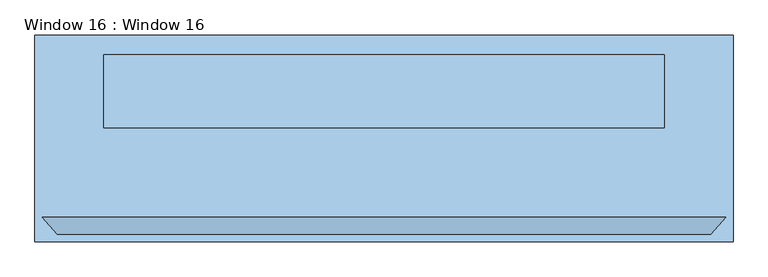
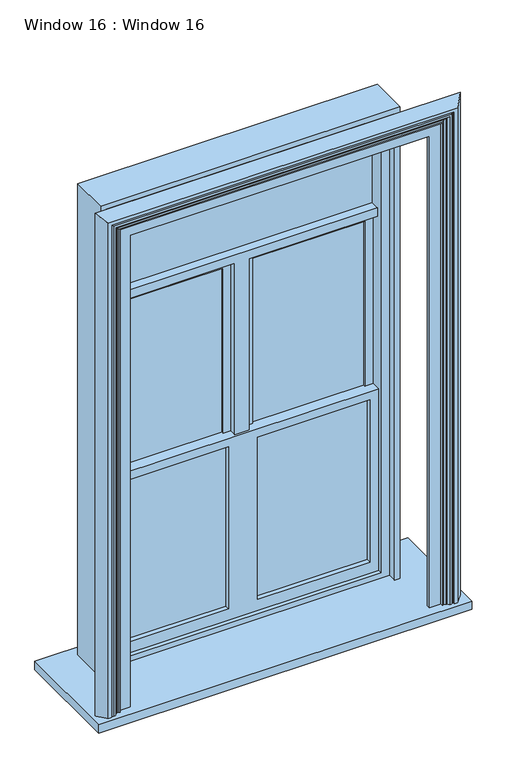
"""IFC4 building model written with IfcOpenShell, lengths in millimetres: window geometry, Window 16 : Window 16."""

import ifcopenshell
import ifcopenshell.guid

model = None  # the IFC model being written
_history = None  # IfcOwnerHistory: only IFC2X3 demands one
_inside = {}  # id of a spatial element -> (the spatial element, [elements in it])
_under = {}  # id of a project, library or spatial element -> (it, [spatial elements below it])
_declared = {}  # id of a project -> (the project, [libraries it declares])
_typed = {}  # id of a type object -> (the type object, [elements of that type])
_made_of = {}  # id of a material, layer set ... -> (it, [elements and type objects made of it])


def new_model(schema):
    """Start an empty IFC model of exactly this schema.

    Asked for "IFC4X3", IfcOpenShell would pick the latest addendum, in which some entities
    have other attributes; the version numbers below select the first issue.
    IFC2X3 requires an IfcOwnerHistory on every rooted entity: one is made here for all.
    """
    global model, _history
    if schema == "IFC4X3":
        model = ifcopenshell.file(schema_version=(4, 3, 0, 0))
    else:
        model = ifcopenshell.file(schema=schema)
    _inside.clear()
    _under.clear()
    _declared.clear()
    _typed.clear()
    _made_of.clear()
    _history = None
    if model.schema == "IFC2X3":
        org = make("IfcOrganization", Name="unknown")
        user = make(
            "IfcPersonAndOrganization",
            ThePerson=make("IfcPerson", FamilyName="unknown"),
            TheOrganization=org,
        )
        app = make(
            "IfcApplication",
            ApplicationDeveloper=org,
            Version="unknown",
            ApplicationFullName="unknown",
            ApplicationIdentifier="unknown",
        )
        _history = make(
            "IfcOwnerHistory",
            OwningUser=user,
            OwningApplication=app,
            ChangeAction="ADDED",
            CreationDate=0,
        )
    return model


def make(cls, **values):
    """One entity of the class cls with the attributes given. An attribute that is None is left unset."""
    return model.create_entity(
        cls, **{name: value for name, value in values.items() if value is not None}
    )


def rooted(cls, **values):
    """An entity with a GlobalId (a new one), such as an element, a storey or a relation."""
    return make(cls, GlobalId=ifcopenshell.guid.new(), OwnerHistory=_history, **values)


def si_unit(unit_type, name, prefix=None):
    """IfcSIUnit, for example si_unit("LENGTHUNIT", "METRE", prefix="MILLI")."""
    return make("IfcSIUnit", UnitType=unit_type, Prefix=prefix, Name=name)


def assignment(units):
    """IfcUnitAssignment: the units of a project."""
    return None if units is None else make("IfcUnitAssignment", Units=units)


def point(xyz):
    """IfcCartesianPoint."""
    return None if xyz is None else make("IfcCartesianPoint", Coordinates=xyz)


def direction(xyz):
    """IfcDirection."""
    return None if xyz is None else make("IfcDirection", DirectionRatios=xyz)


def frame(location, z_axis=None, x_axis=None):
    """IfcAxis2Placement3D, a coordinate frame: its origin and axes. An axis left out is left unset."""
    return make(
        "IfcAxis2Placement3D",
        Location=point(location),
        Axis=direction(z_axis),
        RefDirection=direction(x_axis),
    )


def origin():
    """The frame at (0, 0, 0) with its axes left unset."""
    return frame((0.0, 0.0, 0.0))


def place(relative_to, where):
    """IfcLocalPlacement: puts the frame where relative to a parent placement (None: the world)."""
    return make(
        "IfcLocalPlacement", PlacementRelTo=relative_to, RelativePlacement=where
    )


def context(
    kind, dimensions, precision=None, world=None, true_north=None, identifier=None
):
    """IfcGeometricRepresentationContext, for example the 3D "Model" context."""
    return make(
        "IfcGeometricRepresentationContext",
        ContextIdentifier=identifier,
        ContextType=kind,
        CoordinateSpaceDimension=dimensions,
        Precision=precision,
        WorldCoordinateSystem=world,
        TrueNorth=true_north,
    )


def project(units=None, contexts=None):
    """IfcProject with its units and contexts."""
    return rooted(
        "IfcProject",
        Name="project",
        RepresentationContexts=contexts,
        UnitsInContext=assignment(units),
    )


def spatial(cls, under=None, at=None, **own):
    """A site, building, storey or space (cls), placed at a placement, below another one or the project."""
    s = rooted(cls, ObjectPlacement=at, **own)
    if under is not None:
        _under.setdefault(under.id(), (under, []))[1].append(s)
    return s


def polyline(points):
    """IfcPolyline through the points."""
    return make("IfcPolyline", Points=[point(p) for p in points])


def outline(outer, holes=None, kind="AREA"):
    """IfcArbitraryClosedProfileDef: a profile drawn as a closed curve; with holes, ...WithVoids."""
    if holes is None:
        return make("IfcArbitraryClosedProfileDef", ProfileType=kind, OuterCurve=outer)
    return make(
        "IfcArbitraryProfileDefWithVoids",
        ProfileType=kind,
        OuterCurve=outer,
        InnerCurves=holes,
    )


def extrude(swept, where, along, depth):
    """IfcExtrudedAreaSolid: the profile swept, set in the frame where, extruded along a direction by depth."""
    return make(
        "IfcExtrudedAreaSolid",
        SweptArea=swept,
        Position=where,
        ExtrudedDirection=direction(along),
        Depth=depth,
    )


def faces_of(points, faces, orient=None, outer=None):
    """IfcFace entities. A face is a list of loops; a loop is a list of indices into points, from 0.

    orient and outer hold one flag for each loop. By default every Orientation is true, the
    first loop of a face is its IfcFaceOuterBound and the others are IfcFaceBound.
    """
    made = []
    for i, loops in enumerate(faces):
        bounds = []
        for j, loop in enumerate(loops):
            is_outer = j == 0 if outer is None else outer[i][j]
            bounds.append(
                make(
                    "IfcFaceOuterBound" if is_outer else "IfcFaceBound",
                    Bound=make("IfcPolyLoop", Polygon=[points[k] for k in loop]),
                    Orientation=True if orient is None else orient[i][j],
                )
            )
        made.append(make("IfcFace", Bounds=bounds))
    return made


def faceted_brep(points, faces, orient=None, outer=None, voids=None):
    """IfcFacetedBrep: a solid bounded by flat faces; with voids (closed shells), ...WithVoids."""
    shared = [point(p) for p in points]
    hull = make("IfcClosedShell", CfsFaces=faces_of(shared, faces, orient, outer))
    if voids is None:
        return make("IfcFacetedBrep", Outer=hull)
    return make(
        "IfcFacetedBrepWithVoids",
        Outer=hull,
        Voids=[
            make(cls, CfsFaces=faces_of(shared, fs, o, b)) for cls, fs, o, b in voids
        ],
    )


def shape(context_of_items, identifier, shape_type, items):
    """IfcShapeRepresentation: the items that make up one representation, for example the "Body"."""
    return make(
        "IfcShapeRepresentation",
        ContextOfItems=context_of_items,
        RepresentationIdentifier=identifier,
        RepresentationType=shape_type,
        Items=items,
    )


def source(mapping_origin, context_of_items, identifier, shape_type, items):
    """IfcRepresentationMap: a shape defined once, which mapped items show again and again."""
    return make(
        "IfcRepresentationMap",
        MappingOrigin=mapping_origin,
        MappedRepresentation=shape(context_of_items, identifier, shape_type, items),
    )


def transform(
    local_origin,
    x_axis=None,
    y_axis=None,
    z_axis=None,
    scale=None,
    scale2=None,
    scale3=None,
    uniform=True,
):
    """IfcCartesianTransformationOperator3D, or its non-uniform kind. x_axis, y_axis, z_axis: its Axis1, 2, 3."""
    if uniform:
        return make(
            "IfcCartesianTransformationOperator3D",
            Axis1=direction(x_axis),
            Axis2=direction(y_axis),
            LocalOrigin=point(local_origin),
            Scale=scale,
            Axis3=direction(z_axis),
        )
    return make(
        "IfcCartesianTransformationOperator3DnonUniform",
        Axis1=direction(x_axis),
        Axis2=direction(y_axis),
        LocalOrigin=point(local_origin),
        Scale=scale,
        Axis3=direction(z_axis),
        Scale2=scale2,
        Scale3=scale3,
    )


def mapped(mapping_source, mapping_target):
    """IfcMappedItem: shows the shape of a source again, moved by a transform."""
    return make(
        "IfcMappedItem", MappingSource=mapping_source, MappingTarget=mapping_target
    )


def made_of(thing, what):
    """Note that an element or type object is made of a material, layer set ...; save() writes the relation."""
    if what is not None:
        _made_of.setdefault(what.id(), (what, []))[1].append(thing)
    return thing


def element(
    cls,
    number,
    at=None,
    inside=None,
    cuts=None,
    type_object=None,
    material=None,
    context=None,
    identifier="Body",
    shape_type=None,
    held_by="IfcProductDefinitionShape",
    body=None,
    shapes=None,
    **own,
):
    """One element of the class cls, such as IfcWall. Its Tag is "e" and its number.

    at: its placement. inside: the storey or other place that contains it. cuts: it is an
    opening in that element (IfcRelVoidsElement). A single representation is given by context,
    identifier, shape_type and body (its items); several are given by shapes. held_by: the class
    of the entity that holds the representations. save() writes the other relations.
    """
    e = rooted(cls, Tag="e%d" % number, ObjectPlacement=at, **own)
    if body is not None:
        shapes = [shape(context, identifier, shape_type, body)]
    if shapes is not None:
        e.Representation = make(held_by, Representations=shapes)
    if inside is not None:
        _inside.setdefault(inside.id(), (inside, []))[1].append(e)
    if cuts is not None:
        rooted(
            "IfcRelVoidsElement", RelatingBuildingElement=cuts, RelatedOpeningElement=e
        )
    if type_object is not None:
        _typed.setdefault(type_object.id(), (type_object, []))[1].append(e)
    return made_of(e, material)


def aggregate(whole, parts):
    """IfcRelAggregates: a whole, such as a stair, and the parts it consists of."""
    return rooted("IfcRelAggregates", RelatingObject=whole, RelatedObjects=parts)


def save(model, path):
    """Write the relations noted so far, then the file.

    IfcRelAggregates (storeys below a building ...), IfcRelContainedInSpatialStructure (elements
    in a storey), IfcRelDefinesByType, IfcRelAssociatesMaterial and IfcRelDeclares: one each for
    every whole, place, type object, material and project.
    """
    for whole, parts in _under.values():
        aggregate(whole, parts)
    for where, things in _inside.values():
        rooted(
            "IfcRelContainedInSpatialStructure",
            RelatedElements=things,
            RelatingStructure=where,
        )
    for kind, things in _typed.values():
        rooted("IfcRelDefinesByType", RelatedObjects=things, RelatingType=kind)
    for what, things in _made_of.values():
        rooted("IfcRelAssociatesMaterial", RelatedObjects=things, RelatingMaterial=what)
    for by, libraries in _declared.values():
        rooted("IfcRelDeclares", RelatingContext=by, RelatedDefinitions=libraries)
    model.write(path)


def window_16_window_16_be1e5fad(model_context):
    return source(origin(), model_context, "Body", "SolidModel", [
        extrude(outline(polyline([(794.3217377, 133.35), (-794.258, 133.35), (-794.258, 158.75), (794.3217377, 158.75), (794.3217377, 133.35)])), frame((0.0, 0.0, 3234.944), z_axis=(0.0, 0.0, 1.0), x_axis=(1.0, 0.0, 0.0)), (0.0, 0.0, 1.0), 539.75),
        extrude(outline(polyline([(-85.6931311, 95.25), (-743.458, 95.25), (-743.458, 120.65), (-85.6931311, 120.65), (-85.6931311, 95.25)])), frame((0.0, 0.0, 1069.594), z_axis=(0.0, 0.0, 1.0), x_axis=(1.0, 0.0, 0.0)), (0.0, 0.0, 1.0), 1003.3),
        extrude(outline(polyline([(743.5217377, 95.25), (85.7568689, 95.25), (85.7568689, 120.65), (743.5217377, 120.65), (743.5217377, 95.25)])), frame((0.0, 0.0, 1069.594), z_axis=(0.0, 0.0, 1.0), x_axis=(1.0, 0.0, 0.0)), (0.0, 0.0, 1.0), 1003.3),
        extrude(outline(polyline([(2123.694, 794.3217377), (2123.694, -794.258), (999.744, -794.258), (999.744, 794.3217377), (2123.694, 794.3217377)]), holes=[polyline([(2072.894, -85.6931311), (1069.594, -85.6931311), (1069.594, -743.458), (2072.894, -743.458), (2072.894, -85.6931311)]), polyline([(2072.894, 743.5217377), (1069.594, 743.5217377), (1069.594, 85.7568689), (2072.894, 85.7568689), (2072.894, 743.5217377)])]), frame((0.0, 67.1941549, 0.0), z_axis=(0.0, 1.0, 0.0), x_axis=(0.0, 0.0, 1.0)), (0.0, 0.0, 1.0), 86.0955188),
        extrude(outline(polyline([(1092.708, -361.2211661), (-1092.708, -361.2211661), (-1092.708, 285.75), (1092.708, 285.75), (1092.708, -361.2211661)])), frame((0.0, 0.0, 914.4), z_axis=(0.0, 0.0, 1.0), x_axis=(1.0, 0.0, 0.0)), (0.0, 0.0, 1.0), 50.8),
        faceted_brep([(876.808, -285.75, 965.2), (1069.5910809, -285.75, 965.2), (1022.9504656, -337.6082935, 965.2), (1003.7393909, -337.6082935, 965.2), (1003.7393909, -326.099835, 965.2), (998.5899991, -326.099835, 965.2), (990.444647, -333.9369133, 965.2), (978.4796738, -333.9369133, 965.2), (971.1213111, -321.7864376, 965.2), (965.8967572, -321.7864376, 965.2), (955.5713264, -313.5069351, 965.2), (948.7712974, -319.5744725, 965.2), (943.1855017, -319.5744725, 965.2), (943.1855017, -304.4462122, 965.2), (876.808, -304.4462122, 965.2), (876.808, -285.75, 3882.644), (-876.808, -285.75, 3882.644), (-876.808, -285.75, 965.2), (-1069.5910809, -285.75, 965.2), (-1069.5910809, -285.75, 4075.4270809), (1069.5910809, -285.75, 4075.4270809), (1022.9504656, -337.6082935, 4028.7864656), (-1022.9504656, -337.6082935, 4028.7864656), (-1022.9504656, -337.6082935, 965.2), (-1003.7393909, -337.6082935, 965.2), (-1003.7393909, -337.6082935, 4009.5753909), (1003.7393909, -337.6082935, 4009.5753909), (1003.7393909, -326.099835, 4009.5753909), (-1003.7393909, -326.099835, 4009.5753909), (-1003.7393909, -326.099835, 965.2), (-998.5899991, -326.099835, 965.2), (-998.5899991, -326.099835, 4004.4259991), (998.5899991, -326.099835, 4004.4259991), (990.444647, -333.9369133, 3996.280647), (-990.444647, -333.9369133, 3996.280647), (-990.444647, -333.9369133, 965.2), (-978.4796738, -333.9369133, 965.2), (-978.4796738, -333.9369133, 3984.3156738), (978.4796738, -333.9369133, 3984.3156738), (971.1213111, -321.7864376, 3976.9573111), (-971.1213111, -321.7864376, 3976.9573111), (-971.1213111, -321.7864376, 965.2), (-965.8967572, -321.7864376, 965.2), (-965.8967572, -321.7864376, 3971.7327572), (965.8967572, -321.7864376, 3971.7327572), (955.5713264, -313.5069351, 3961.4073264), (948.7712974, -319.5744725, 3954.6072974), (-948.7712974, -319.5744725, 3954.6072974), (-948.7712974, -319.5744725, 965.2), (-943.1855017, -319.5744725, 965.2), (-943.1855017, -319.5744725, 3949.0215017), (943.1855017, -319.5744725, 3949.0215017), (943.1855017, -304.4462122, 3949.0215017), (-943.1855017, -304.4462122, 3949.0215017), (-943.1855017, -304.4462122, 965.2), (-876.808, -304.4462122, 965.2), (-876.808, -304.4462122, 3882.644), (876.808, -304.4462122, 3882.644), (-955.5713264, -313.5069351, 965.2), (-955.5713264, -313.5069351, 3961.4073264)], [[[0, 1, 2, 3, 4, 5, 6, 7, 8, 9, 10, 11, 12, 13, 14]], [[1, 0, 15, 16, 17, 18, 19, 20]], [[2, 1, 20, 21]], [[3, 2, 21, 22, 23, 24, 25, 26]], [[4, 3, 26, 27]], [[5, 4, 27, 28, 29, 30, 31, 32]], [[6, 5, 32, 33]], [[7, 6, 33, 34, 35, 36, 37, 38]], [[8, 7, 38, 39]], [[9, 8, 39, 40, 41, 42, 43, 44]], [[10, 9, 44, 45]], [[11, 10, 45, 46]], [[12, 11, 46, 47, 48, 49, 50, 51]], [[13, 12, 51, 52]], [[14, 13, 52, 53, 54, 55, 56, 57]], [[0, 14, 57, 15]], [[17, 55, 54, 49, 48, 58, 42, 41, 36, 35, 30, 29, 24, 23, 18]], [[16, 56, 55, 17]], [[53, 50, 49, 54]], [[47, 59, 58, 48]], [[59, 43, 42, 58]], [[40, 37, 36, 41]], [[34, 31, 30, 35]], [[28, 25, 24, 29]], [[22, 19, 18, 23]], [[15, 57, 56, 16]], [[21, 20, 19, 22]], [[27, 26, 25, 28]], [[33, 32, 31, 34]], [[39, 38, 37, 40]], [[45, 44, 43, 59]], [[46, 45, 59, 47]], [[52, 51, 50, 53]]]),
        extrude(outline(polyline([(-85.6931311, 133.35), (-743.458, 133.35), (-743.458, 158.75), (-85.6931311, 158.75), (-85.6931311, 133.35)])), frame((0.0, 0.0, 2123.694), z_axis=(0.0, 0.0, 1.0), x_axis=(1.0, 0.0, 0.0)), (0.0, 0.0, 1.0), 1022.35),
        extrude(outline(polyline([(743.5217377, 133.35), (85.7568689, 133.35), (85.7568689, 158.75), (743.5217377, 158.75), (743.5217377, 133.35)])), frame((0.0, 0.0, 2123.694), z_axis=(0.0, 0.0, 1.0), x_axis=(1.0, 0.0, 0.0)), (0.0, 0.0, 1.0), 1022.35),
        extrude(outline(polyline([(3234.944, 794.3217377), (3234.944, -794.258), (3184.144, -794.258), (3184.144, -41.2431311), (2123.694, -41.2431311), (2123.694, 41.3068689), (3184.144, 41.3068689), (3184.144, 794.3217377), (3234.944, 794.3217377)])), frame((0.0, 79.6303668, 0.0), z_axis=(0.0, 1.0, 0.0), x_axis=(0.0, 0.0, 1.0)), (0.0, 0.0, 1.0), 82.55),
        extrude(outline(polyline([(2123.694, 743.5217377), (2123.694, 794.3217377), (3184.144, 794.3217377), (3184.144, 41.3068689), (2123.694, 41.3068689), (2123.694, 85.7568689), (3146.044, 85.7568689), (3146.044, 743.5217377), (2123.694, 743.5217377)])), frame((0.0, 121.1132504, 0.0), z_axis=(0.0, 1.0, 0.0), x_axis=(0.0, 0.0, 1.0)), (0.0, 0.0, 1.0), 41.0671165),
        extrude(outline(polyline([(3184.144, -41.2431311), (3184.144, -794.258), (2123.694, -794.258), (2123.694, -743.458), (3146.044, -743.458), (3146.044, -85.6931311), (2123.694, -85.6931311), (2123.694, -41.2431311), (3184.144, -41.2431311)])), frame((0.0, 121.1132504, 0.0), z_axis=(0.0, 1.0, 0.0), x_axis=(0.0, 0.0, 1.0)), (0.0, 0.0, 1.0), 41.0671165),
        extrude(outline(polyline([(3850.8471665, 845.1217377), (3850.8471665, -845.058), (965.2, -845.058), (965.2, 845.1217377), (3850.8471665, 845.1217377)]), holes=[polyline([(999.744, 794.3217377), (999.744, -794.258), (3774.694, -794.258), (3774.694, 794.3217377), (999.744, 794.3217377)])]), frame((0.0, 45.3396737, 0.0), z_axis=(0.0, 1.0, 0.0), x_axis=(0.0, 0.0, 1.0)), (0.0, 0.0, 1.0), 177.8),
        extrude(outline(polyline([(3882.644, 876.808), (3882.644, -876.808), (965.2, -876.808), (965.2, -845.058), (3850.8471665, -845.058), (3850.8471665, 845.1217377), (965.2, 845.1217377), (965.2, 876.808), (3882.644, 876.808)])), frame((0.0, -5.4603263, 0.0), z_axis=(0.0, 1.0, 0.0), x_axis=(0.0, 0.0, 1.0)), (0.0, 0.0, 1.0), 228.6),
    ])


if __name__ == "__main__":
    model = new_model("IFC4")
    model_context = context("Model", 3, world=origin())
    ifc_project = project(units=[si_unit("LENGTHUNIT", "METRE", prefix="MILLI")], contexts=[model_context])
    site = spatial("IfcSite", under=ifc_project)
    building = spatial("IfcBuilding", under=site)
    placement = place(None, origin())
    window_16_window_16_shape = window_16_window_16_be1e5fad(model_context)
    element("IfcWindow", 1, ObjectType="Window 16 : Window 16", at=placement, inside=building, context=model_context, shape_type="MappedRepresentation", body=[
        mapped(window_16_window_16_shape, transform((0.0, 0.0, 0.0), x_axis=(1.0, 0.0, 0.0), y_axis=(0.0, 1.0, 0.0), z_axis=(0.0, 0.0, 1.0))),
    ])
    save(model, "model.ifc")
